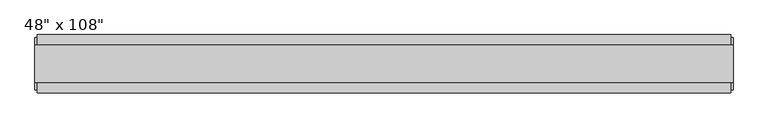
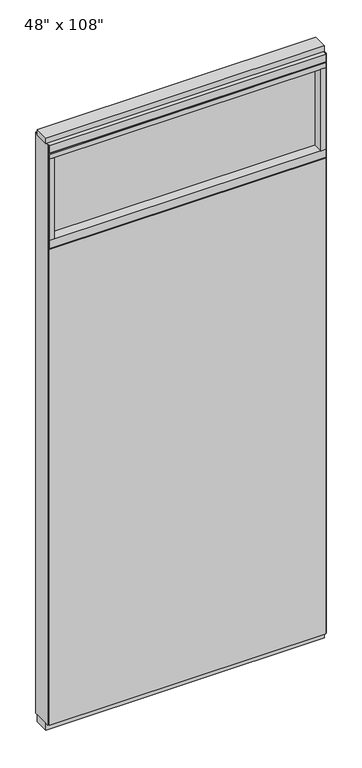
"""IFC4 building model written with IfcOpenShell, lengths in millimetres: furniture geometry."""

from ifc_helpers import new_model, si_unit, frame, origin, origin_with_axes, place, context, project, spatial, polyline, outline, extrude, source, transform, mapped, element, save


def furniture_e05eb9fc(model_context):
    return source(origin(), model_context, "Body", "SweptSolid", [
        extrude(outline(polyline([(545.6264771, 46.2822784), (545.6264771, 33.5822784), (-665.6995229, 33.5822784), (-665.6995229, 46.2822784), (545.6264771, 46.2822784)])), frame((0.0, 0.0, 31.75), z_axis=(0.0, 0.0, 1.0), x_axis=(1.0, 0.0, 0.0)), (0.0, 0.0, 1.0), 2203.45),
        extrude(outline(polyline([(545.6264771, -55.3177216), (-665.6995229, -55.3177216), (-665.6995229, -42.6177216), (545.6264771, -42.6177216), (545.6264771, -55.3177216)])), frame((0.0, 0.0, 31.75), z_axis=(0.0, 0.0, 1.0), x_axis=(1.0, 0.0, 0.0)), (0.0, 0.0, 1.0), 2203.45),
        extrude(outline(polyline([(523.4014771, -9.5977216), (-643.4745229, -9.5977216), (-643.4745229, 0.5622784), (523.4014771, 0.5622784), (523.4014771, -9.5977216)])), frame((0.0, 0.0, 2276.475), z_axis=(0.0, 0.0, 1.0), x_axis=(1.0, 0.0, 0.0)), (0.0, 0.0, 1.0), 377.825),
        extrude(outline(polyline([(523.4014771, -55.3177216), (523.4014771, 46.2822784), (545.6264771, 46.2822784), (545.6264771, -55.3177216), (523.4014771, -55.3177216)])), frame((0.0, 0.0, 2276.475), z_axis=(0.0, 0.0, 1.0), x_axis=(1.0, 0.0, 0.0)), (0.0, 0.0, 1.0), 377.825),
        extrude(outline(polyline([(-55.3177216, 2240.153), (-55.3177216, 2276.475), (46.2822784, 2276.475), (46.2822784, 2240.153), (41.3292784, 2240.153), (41.3292784, 2235.2), (-50.3647216, 2235.2), (-50.3647216, 2240.153), (-55.3177216, 2240.153)])), frame((-665.6995229, 0.0, 0.0), z_axis=(1.0, 0.0, 0.0), x_axis=(0.0, 1.0, 0.0)), (0.0, 0.0, 1.0), 1211.326),
        extrude(outline(polyline([(-643.4745229, -55.3177216), (-665.6995229, -55.3177216), (-665.6995229, 46.2822784), (-643.4745229, 46.2822784), (-643.4745229, -55.3177216)])), frame((0.0, 0.0, 2276.475), z_axis=(0.0, 0.0, 1.0), x_axis=(1.0, 0.0, 0.0)), (0.0, 0.0, 1.0), 377.825),
        extrude(outline(polyline([(549.5634771, 27.9942784), (549.5634771, -37.0297216), (-669.6365229, -37.0297216), (-669.6365229, 27.9942784), (549.5634771, 27.9942784)])), origin_with_axes(), (0.0, 0.0, 1.0), 31.75),
        extrude(outline(polyline([(-669.6365229, -37.0297216), (-669.6365229, 27.9942784), (549.5634771, 27.9942784), (549.5634771, -37.0297216), (-669.6365229, -37.0297216)])), frame((0.0, 0.0, 2717.8), z_axis=(0.0, 0.0, 1.0), x_axis=(1.0, 0.0, 0.0)), (0.0, 0.0, 1.0), 25.4),
        extrude(outline(polyline([(-55.3177216, 2681.478), (-55.3177216, 2717.8), (46.2822784, 2717.8), (46.2822784, 2681.478), (41.3292784, 2681.478), (41.3292784, 2676.525), (-50.3647216, 2676.525), (-50.3647216, 2681.478), (-55.3177216, 2681.478)])), frame((-665.6995229, 0.0, 0.0), z_axis=(1.0, 0.0, 0.0), x_axis=(0.0, 1.0, 0.0)), (0.0, 0.0, 1.0), 1211.326),
        extrude(outline(polyline([(545.6264771, 46.2822784), (545.6264771, -55.3177216), (-665.6995229, -55.3177216), (-665.6995229, 46.2822784), (545.6264771, 46.2822784)])), frame((0.0, 0.0, 2654.3), z_axis=(0.0, 0.0, 1.0), x_axis=(1.0, 0.0, 0.0)), (0.0, 0.0, 1.0), 22.225),
        extrude(outline(polyline([(549.5634771, -50.3647216), (545.6264771, -50.3647216), (545.6264771, 41.3292784), (549.5634771, 41.3292784), (549.5634771, -50.3647216)])), frame((0.0, 0.0, 31.75), z_axis=(0.0, 0.0, 1.0), x_axis=(1.0, 0.0, 0.0)), (0.0, 0.0, 1.0), 2686.05),
        extrude(outline(polyline([(-669.6365229, -50.3647216), (-669.6365229, 41.3292784), (-665.6995229, 41.3292784), (-665.6995229, -50.3647216), (-669.6365229, -50.3647216)])), frame((0.0, 0.0, 31.75), z_axis=(0.0, 0.0, 1.0), x_axis=(1.0, 0.0, 0.0)), (0.0, 0.0, 1.0), 2686.05),
    ])


if __name__ == "__main__":
    model = new_model("IFC4")
    model_context = context("Model", 3, world=origin())
    ifc_project = project(units=[si_unit("LENGTHUNIT", "METRE", prefix="MILLI")], contexts=[model_context])
    site = spatial("IfcSite", under=ifc_project)
    building = spatial("IfcBuilding", under=site)
    placement = place(None, origin())
    furniture_shape = furniture_e05eb9fc(model_context)
    element("IfcFurniture", 1, ObjectType="48\" x 108\"", at=placement, inside=building, context=model_context, shape_type="MappedRepresentation", body=[
        mapped(furniture_shape, transform((0.0, 0.0, 0.0), x_axis=(1.0, 0.0, 0.0), y_axis=(0.0, 1.0, 0.0), z_axis=(0.0, 0.0, 1.0))),
    ])
    save(model, "model.ifc")
